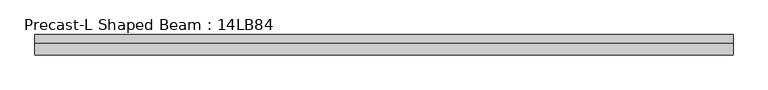
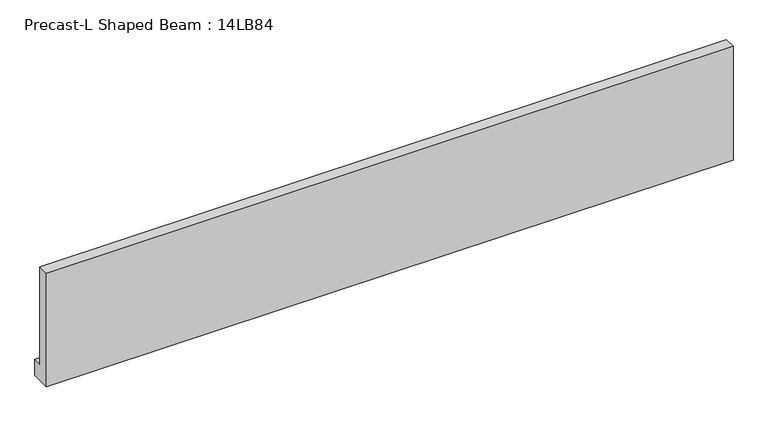
"""IFC4 building model written with IfcOpenShell, lengths in millimetres: beam geometry, Precast-L Shaped Beam : 14LB84."""

from ifc_helpers import new_model, si_unit, frame, origin, place, context, project, spatial, polyline, outline, extrude, source, transform, mapped, element, save


def precast_l_shaped_beam_14lb84_c440a49d(model_context):
    return source(origin(), model_context, "Body", "SweptSolid", [
        extrude(outline(polyline([(-177.8, -1066.8), (-177.8, 1066.8), (25.4, 1066.8), (25.4, -762.0), (177.8, -762.0), (177.8, -1066.8), (-177.8, -1066.8)])), frame((-6096.0, 0.0, 0.0), z_axis=(1.0, 0.0, 0.0), x_axis=(0.0, 1.0, 0.0)), (0.0, 0.0, 1.0), 12192.0),
    ])


if __name__ == "__main__":
    model = new_model("IFC4")
    model_context = context("Model", 3, world=origin())
    ifc_project = project(units=[si_unit("LENGTHUNIT", "METRE", prefix="MILLI")], contexts=[model_context])
    site = spatial("IfcSite", under=ifc_project)
    building = spatial("IfcBuilding", under=site)
    placement = place(None, origin())
    precast_l_shaped_beam_14lb84_shape = precast_l_shaped_beam_14lb84_c440a49d(model_context)
    element("IfcBeam", 1, ObjectType="Precast-L Shaped Beam : 14LB84", at=placement, inside=building, context=model_context, shape_type="MappedRepresentation", body=[
        mapped(precast_l_shaped_beam_14lb84_shape, transform((0.0, 0.0, 0.0), x_axis=(1.0, 0.0, 0.0), y_axis=(0.0, 1.0, 0.0), z_axis=(0.0, 0.0, 1.0))),
    ])
    save(model, "model.ifc")
